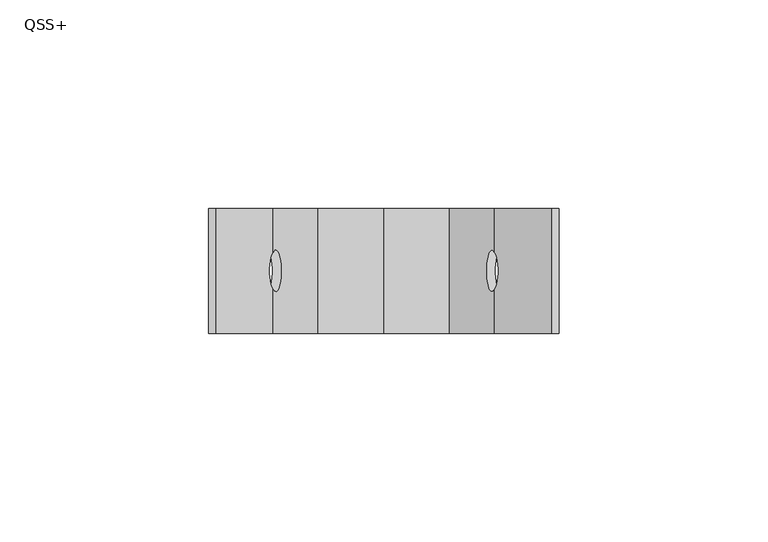
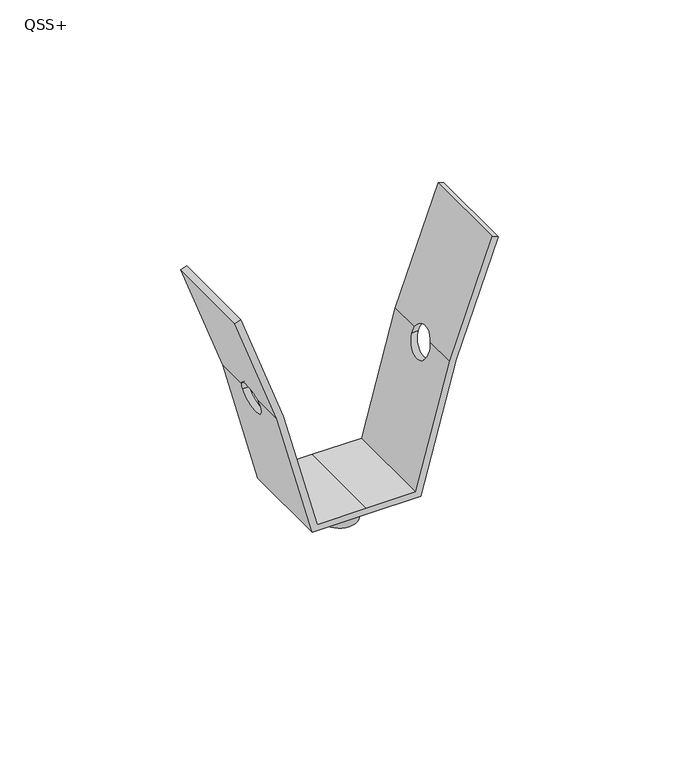
"""IFC4 building model written with IfcOpenShell, lengths in millimetres: proxy geometry, QSS+."""

from ifc_helpers import new_model, si_unit, point, frame, origin, origin_2d, place, context, project, spatial, polyline, circle_curve, ellipse_curve, trimmed, segment, composite_curve, outline, extrude, source, transform, mapped, element, save
from ifc_brep_helpers import plane_surface, revolved_surface, advanced_brep


def qss_7421a3ea(model_context):
    return source(origin(), model_context, "Body", "SolidModel", [
        advanced_brep(
        [(17.3452821, 15.0, -40.0), (0.0, 15.0, -40.0), (-17.3452821, 15.0, -40.0), (-28.689812, 15.0, 2.3383619), (-42.0673367, 15.0, 39.0928092), (-40.1879515, 15.0, 39.7768495), (-26.5614564, 15.0, 2.3383619), (-15.7528249, 15.0, -38.0), (0.0, 15.0, -38.0), (15.7528249, 15.0, -38.0), (26.5614564, 15.0, 2.3383619), (40.1879515, 15.0, 39.7768495), (42.0673367, 15.0, 39.0928092), (28.689812, 15.0, 2.3383619), (17.3452821, -15.0, -40.0), (28.689812, -15.0, 2.3383619), (42.0673367, -15.0, 39.0928092), (40.1879515, -15.0, 39.7768495), (26.5614564, -15.0, 2.3383619), (15.7528249, -15.0, -38.0), (0.0, -15.0, -38.0), (-15.7528249, -15.0, -38.0), (-26.5614564, -15.0, 2.3383619), (-40.1879515, -15.0, 39.7768495), (-42.0673367, -15.0, 39.0928092), (-28.689812, -15.0, 2.3383619), (-17.3452821, -15.0, -40.0), (0.0, -15.0, -40.0), (28.689812, 4.4195094, 2.3383619), (28.0632498, 5.0, 0.0), (28.0632498, -5.0, 0.0), (28.689812, -4.4195094, 2.3383619), (26.5614564, 4.4195094, 2.3383619), (26.5614564, -4.4195094, 2.3383619), (25.9348942, -5.0, 0.0), (25.9348942, 5.0, 0.0), (-28.0632498, -5.0, 0.0), (-25.9348942, -5.0, 0.0), (-25.9348942, 5.0, 0.0), (-28.0632498, 5.0, 0.0), (-28.689812, -4.4195094, 2.3383619), (-28.689812, 4.4195094, 2.3383619), (-26.5614564, 4.4195094, 2.3383619), (-26.5614564, -4.4195094, 2.3383619)],
        [
            (0, 1),
            (1, 2),
            (2, 3),
            (3, 4),
            (4, 5),
            (5, 6),
            (6, 7),
            (7, 8),
            (8, 9),
            (9, 10),
            (10, 11),
            (11, 12),
            (12, 13),
            (13, 0),
            (14, 15),
            (15, 16),
            (16, 17),
            (17, 18),
            (18, 19),
            (19, 20),
            (20, 21),
            (21, 22),
            (22, 23),
            (23, 24),
            (24, 25),
            (25, 26),
            (26, 27),
            (27, 14),
            (13, 28),
            (28, 29, ellipse_curve(frame((28.0632498, 0.0, 0.0), z_axis=(-0.9659258262890681, 0.0, 0.25881904510252185), x_axis=(0.2588190451025211, 0.0, 0.9659258262890681)), 5.1763809, 5.0)),
            (29, 30, ellipse_curve(frame((28.0632498, 0.0, 0.0), z_axis=(-0.9659258262890681, 0.0, 0.25881904510252185), x_axis=(0.2588190451025211, 0.0, 0.9659258262890681)), 5.1763809, 5.0)),
            (30, 31, ellipse_curve(frame((28.0632498, 0.0, 0.0), z_axis=(-0.9659258262890681, 0.0, 0.25881904510252185), x_axis=(0.2588190451025211, 0.0, 0.9659258262890681)), 5.1763809, 5.0)),
            (31, 15),
            (14, 0),
            (12, 16),
            (31, 28, ellipse_curve(frame((27.8387178, 0.0, 0.0), z_axis=(-0.939692620785907, 0.0, 0.3420201433256728), x_axis=(0.3420201433256724, 0.0, 0.9396926207859072)), 5.3208889, 5.0)),
            (10, 32),
            (32, 33, ellipse_curve(frame((25.7103623, 0.0, 0.0), z_axis=(0.9396926207859081, 0.0, -0.34202014332566993), x_axis=(0.3420201433256691, 0.0, 0.9396926207859082)), 5.3208889, 5.0)),
            (33, 18),
            (17, 11),
            (9, 19),
            (33, 34, ellipse_curve(frame((25.9348942, 0.0, 0.0), z_axis=(0.9659258262890683, 0.0, -0.25881904510252074), x_axis=(0.2588190451025205, 0.0, 0.9659258262890684)), 5.1763809, 5.0)),
            (34, 35, ellipse_curve(frame((25.9348942, 0.0, 0.0), z_axis=(0.9659258262890683, 0.0, -0.25881904510252074), x_axis=(0.2588190451025205, 0.0, 0.9659258262890684)), 5.1763809, 5.0)),
            (35, 32, ellipse_curve(frame((25.9348942, 0.0, 0.0), z_axis=(0.9659258262890683, 0.0, -0.25881904510252074), x_axis=(0.2588190451025205, 0.0, 0.9659258262890684)), 5.1763809, 5.0)),
            (8, 20),
            (27, 1),
            (34, 30),
            (29, 35),
            (36, 37),
            (37, 38, ellipse_curve(frame((-25.9348942, 0.0, 0.0), z_axis=(0.9659258262890681, 0.0, 0.2588190451025218), x_axis=(0.25881904510252113, 0.0, -0.9659258262890681)), 5.1763809, 5.0)),
            (38, 39),
            (39, 36, ellipse_curve(frame((-28.0632498, 0.0, 0.0), z_axis=(-0.9659258262890683, 0.0, -0.25881904510252063), x_axis=(0.2588190451025206, 0.0, -0.9659258262890683)), 5.1763809, 5.0)),
            (36, 40, ellipse_curve(frame((-28.0632498, 0.0, 0.0), z_axis=(-0.9659258262890683, 0.0, -0.25881904510252063), x_axis=(0.2588190451025206, 0.0, -0.9659258262890683)), 5.1763809, 5.0)),
            (40, 41, ellipse_curve(frame((-27.8387178, 0.0, 0.0), z_axis=(-0.9396926207859081, 0.0, -0.34202014332566966), x_axis=(0.34202014332566927, 0.0, -0.9396926207859081)), 5.3208889, 5.0)),
            (41, 39, ellipse_curve(frame((-28.0632498, 0.0, 0.0), z_axis=(-0.9659258262890683, 0.0, -0.25881904510252063), x_axis=(0.2588190451025206, 0.0, -0.9659258262890683)), 5.1763809, 5.0)),
            (38, 42, ellipse_curve(frame((-25.9348942, 0.0, 0.0), z_axis=(0.9659258262890681, 0.0, 0.2588190451025218), x_axis=(0.25881904510252113, 0.0, -0.9659258262890681)), 5.1763809, 5.0)),
            (42, 43, ellipse_curve(frame((-25.7103623, 0.0, 0.0), z_axis=(0.9396926207859079, 0.0, 0.3420201433256705), x_axis=(0.3420201433256698, 0.0, -0.9396926207859079)), 5.3208889, 5.0)),
            (43, 37, ellipse_curve(frame((-25.9348942, 0.0, 0.0), z_axis=(0.9659258262890681, 0.0, 0.2588190451025218), x_axis=(0.25881904510252113, 0.0, -0.9659258262890681)), 5.1763809, 5.0)),
            (7, 21),
            (6, 42),
            (43, 22),
            (5, 23),
            (4, 24),
            (3, 41),
            (40, 25),
            (2, 26),
        ],
        [
            plane_surface(frame((11.2731144, 15.0, -62.6616381), z_axis=(0.0, 1.0000000000000002, 0.0), x_axis=(-0.25881904510252185, 0.0, -0.9659258262890681))),
            plane_surface(frame((11.2731144, -15.0, -62.6616381), z_axis=(0.0, -1.0000000000000002, 0.0), x_axis=(0.25881904510252185, 0.0, 0.9659258262890681))),
            plane_surface(frame((17.3452821, -15.0, -40.0), z_axis=(0.9659258262890681, 0.0, -0.25881904510252185), x_axis=(0.0, 1.0, 0.0))),
            plane_surface(frame((28.689812, -15.0, 2.3383619), z_axis=(0.939692620785907, 0.0, -0.3420201433256728), x_axis=(0.0, 1.0, 0.0))),
            plane_surface(frame((40.1879515, -15.0, 39.7768495), z_axis=(-0.9396926207859081, 0.0, 0.34202014332566993), x_axis=(0.0, 1.0, 0.0))),
            plane_surface(frame((26.5614564, -15.0, 2.3383619), z_axis=(-0.9659258262890683, 0.0, 0.25881904510252074), x_axis=(0.0, 1.0, 0.0))),
            plane_surface(frame((15.7528249, -15.0, -38.0), z_axis=(0.0, 0.0, 1.0), x_axis=(0.0, 1.0, 0.0))),
            plane_surface(frame((0.0, -15.0, -40.0), z_axis=(0.0, 0.0, -1.0), x_axis=(0.0, 1.0, 0.0))),
            revolved_surface(polyline([(29.40299576162493, 5.0, 0.0), (24.595148238375074, 5.0, 0.0)]), (0.0, 0.0, 0.0), (1.0, 0.0, 0.0)),
            revolved_surface(polyline([(-24.59514823837507, 5.0, 0.0), (-29.40299576162493, 5.0, 0.0)]), (0.0, 0.0, 0.0), (1.0, 0.0, 0.0)),
            revolved_surface(polyline([(29.65856898419798, 5.0, 0.0), (23.89051111580204, 5.0, 0.0)]), (0.0, 0.0, 0.0), (1.0, 0.0, 0.0)),
            revolved_surface(polyline([(-23.890511115802035, 5.0, 0.0), (-29.658568984197963, 5.0, 0.0)]), (0.0, 0.0, 0.0), (1.0, 0.0, 0.0)),
            plane_surface(frame((42.0673367, -15.0, 39.0928092), z_axis=(0.34202014332566927, 0.0, 0.9396926207859082), x_axis=(0.0, 1.0, 0.0))),
            plane_surface(frame((0.0, -15.0, -38.0), z_axis=(0.0, 0.0, 1.0), x_axis=(0.0, 1.0, 0.0))),
            plane_surface(frame((-15.7528249, -15.0, -38.0), z_axis=(0.9659258262890681, 0.0, 0.2588190451025218), x_axis=(0.0, 1.0, 0.0))),
            plane_surface(frame((-26.5614564, -15.0, 2.3383619), z_axis=(0.9396926207859079, 0.0, 0.3420201433256705), x_axis=(0.0, 1.0, 0.0))),
            plane_surface(frame((-40.1879515, -15.0, 39.7768495), z_axis=(-0.34202014332566416, 0.0, 0.9396926207859101), x_axis=(0.0, 1.0, 0.0))),
            plane_surface(frame((-42.0673367, -15.0, 39.0928092), z_axis=(-0.9396926207859081, 0.0, -0.34202014332566966), x_axis=(0.0, 1.0, 0.0))),
            plane_surface(frame((-28.689812, -15.0, 2.3383619), z_axis=(-0.9659258262890683, 0.0, -0.25881904510252063), x_axis=(0.0, 1.0, 0.0))),
            plane_surface(frame((-17.3452821, -15.0, -40.0), z_axis=(0.0, 0.0, -1.0), x_axis=(0.0, 1.0, 0.0))),
        ],
        [
            (0, [[1, 2, 3, 4, 5, 6, 7, 8, 9, 10, 11, 12, 13, 14]]),
            (1, [[15, 16, 17, 18, 19, 20, 21, 22, 23, 24, 25, 26, 27, 28]]),
            (2, [[-14, 29, 30, 31, 32, 33, -15, 34]]),
            (3, [[-13, 35, -16, -33, 36, -29]]),
            (4, [[-11, 37, 38, 39, -18, 40]]),
            (5, [[-10, 41, -19, -39, 42, 43, 44, -37]]),
            (6, [[-9, 45, -20, -41]]),
            (7, [[-1, -34, -28, 46]]),
            (8, [[47, -31, 48, -43]]),
            (9, [[49, 50, 51, 52]]),
            (10, [[-47, -42, -38, -44, -48, -30, -36, -32]]),
            (11, [[-49, 53, 54, 55, -51, 56, 57, 58]]),
            (12, [[-12, -40, -17, -35]]),
            (13, [[-8, 59, -21, -45]]),
            (14, [[-7, 60, -56, -50, -58, 61, -22, -59]]),
            (15, [[-6, 62, -23, -61, -57, -60]]),
            (16, [[-5, 63, -24, -62]]),
            (17, [[-4, 64, -54, 65, -25, -63]]),
            (18, [[-3, 66, -26, -65, -53, -52, -55, -64]]),
            (19, [[-2, -46, -27, -66]]),
        ],
    ),
        extrude(outline(composite_curve([segment(trimmed(circle_curve(origin_2d(), 5.5), [point((-5.5, 0.0))], [point((5.5, 0.0))], False, "CARTESIAN"), True, "CONTINUOUS"), segment(trimmed(circle_curve(origin_2d(), 5.5), [point((5.5, 0.0))], [point((-5.5, 0.0))], False, "CARTESIAN"), True, "CONTINUOUS")], self_intersect=False), holes=[composite_curve([segment(trimmed(circle_curve(origin_2d(), 5.0), [point((-5.0, 0.0))], [point((5.0, 0.0))], True, "CARTESIAN"), True, "CONTINUOUS"), segment(trimmed(circle_curve(origin_2d(), 5.0), [point((5.0, 0.0))], [point((-5.0, 0.0))], True, "CARTESIAN"), True, "CONTINUOUS")], self_intersect=False)]), frame((0.0, 0.0, -50.0), z_axis=(0.0, 0.0, 1.0), x_axis=(1.0, 0.0, 0.0)), (0.0, 0.0, 1.0), 10.0),
    ])


if __name__ == "__main__":
    model = new_model("IFC4")
    model_context = context("Model", 3, world=origin())
    ifc_project = project(units=[si_unit("LENGTHUNIT", "METRE", prefix="MILLI")], contexts=[model_context])
    site = spatial("IfcSite", under=ifc_project)
    building = spatial("IfcBuilding", under=site)
    placement = place(None, origin())
    qss_shape = qss_7421a3ea(model_context)
    element("IfcBuildingElementProxy", 1, Name="QSS+", ObjectType="QSS+", at=placement, inside=building, context=model_context, shape_type="MappedRepresentation", body=[
        mapped(qss_shape, transform((0.0, 0.0, 0.0), x_axis=(1.0, 0.0, 0.0), y_axis=(0.0, 1.0, 0.0), z_axis=(0.0, 0.0, 1.0))),
    ])
    save(model, "model.ifc")
